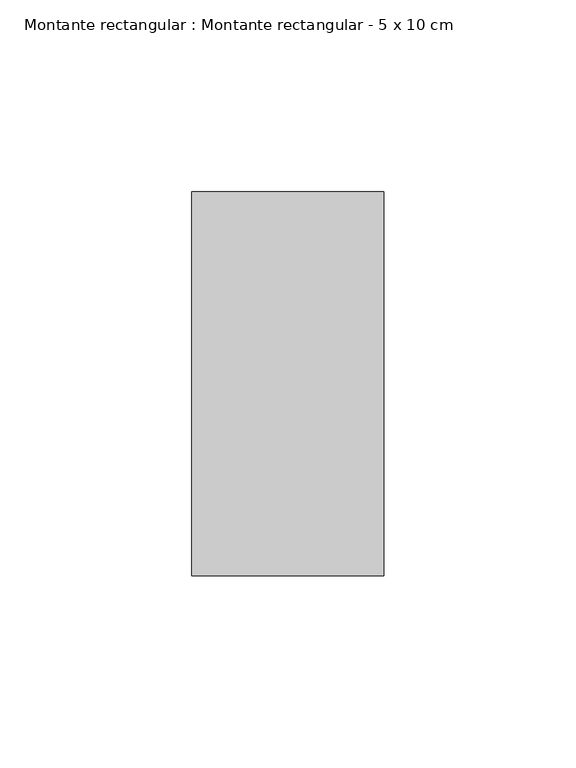
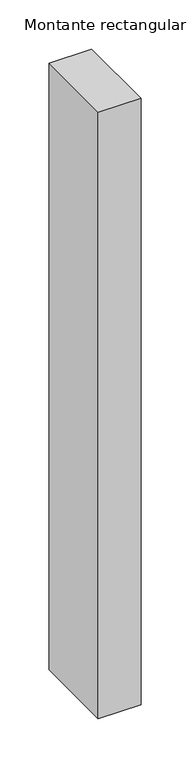
"""IFC4 building model written with IfcOpenShell, lengths in millimetres: member geometry, Montante rectangular : Montante rectangular - 5 x 10 cm."""

from ifc_helpers import new_model, si_unit, frame, origin, place, context, project, spatial, polyline, outline, extrude, source, transform, mapped, element, save


def montante_rectangular_montante_rectangular_5_x_10_cm_80477172(model_context):
    return source(origin(), model_context, "Body", "SweptSolid", [
        extrude(outline(polyline([(0.0, -50.0), (-50.0, -50.0), (-50.0, 50.0), (0.0, 50.0), (0.0, -50.0)])), frame((0.0, 0.0, -752.0), z_axis=(0.0, 0.0, 1.0), x_axis=(1.0, 0.0, 0.0)), (0.0, 0.0, 1.0), 752.0),
    ])


if __name__ == "__main__":
    model = new_model("IFC4")
    model_context = context("Model", 3, world=origin())
    ifc_project = project(units=[si_unit("LENGTHUNIT", "METRE", prefix="MILLI")], contexts=[model_context])
    site = spatial("IfcSite", under=ifc_project)
    building = spatial("IfcBuilding", under=site)
    placement = place(None, origin())
    montante_rectangular_montante_rectangular_5_x_10_cm_shape = montante_rectangular_montante_rectangular_5_x_10_cm_80477172(model_context)
    element("IfcMember", 1, ObjectType="Montante rectangular : Montante rectangular - 5 x 10 cm", at=placement, inside=building, context=model_context, shape_type="MappedRepresentation", body=[
        mapped(montante_rectangular_montante_rectangular_5_x_10_cm_shape, transform((0.0, 0.0, 0.0), x_axis=(1.0, 0.0, 0.0), y_axis=(0.0, 1.0, 0.0), z_axis=(0.0, 0.0, 1.0))),
    ])
    save(model, "model.ifc")
